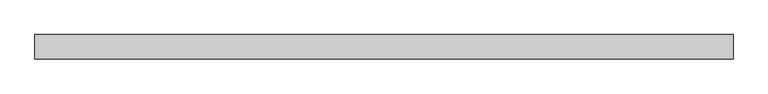
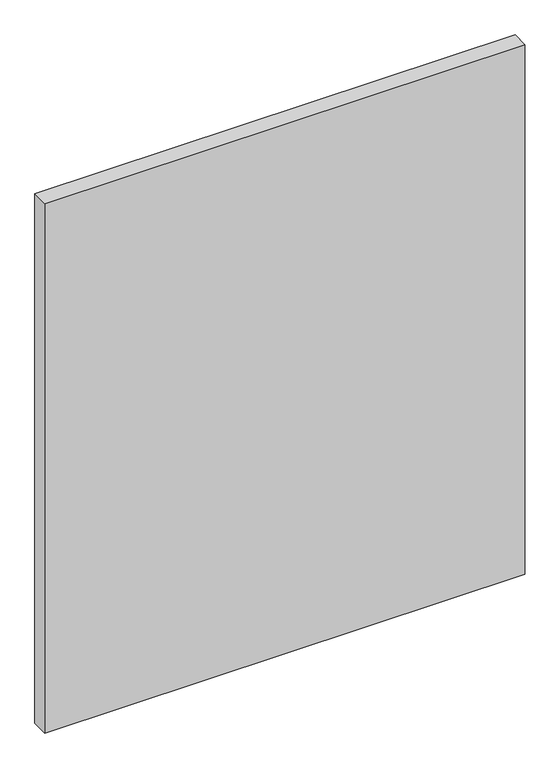
"""IFC4 building model written with IfcOpenShell, lengths in millimetres: plate geometry."""

from ifc_helpers import new_model, si_unit, origin, origin_with_axes, place, context, project, spatial, polyline, outline, extrude, source, transform, mapped, element, save


def plate_5bda2fc4(model_context):
    return source(origin(), model_context, "Body", "SweptSolid", [
        extrude(outline(polyline([(501.7291667, -17.5), (-501.7291667, -17.5), (-501.7291667, 17.5), (501.7291667, 17.5), (501.7291667, -17.5)])), origin_with_axes(), (0.0, 0.0, 1.0), 1170.0),
    ])


if __name__ == "__main__":
    model = new_model("IFC4")
    model_context = context("Model", 3, world=origin())
    ifc_project = project(units=[si_unit("LENGTHUNIT", "METRE", prefix="MILLI")], contexts=[model_context])
    site = spatial("IfcSite", under=ifc_project)
    building = spatial("IfcBuilding", under=site)
    placement = place(None, origin())
    plate_shape = plate_5bda2fc4(model_context)
    element("IfcPlate", 1, at=placement, inside=building, context=model_context, shape_type="MappedRepresentation", body=[
        mapped(plate_shape, transform((0.0, 0.0, 0.0), x_axis=(1.0, 0.0, 0.0), y_axis=(0.0, 1.0, 0.0), z_axis=(0.0, 0.0, 1.0))),
    ])
    save(model, "model.ifc")
